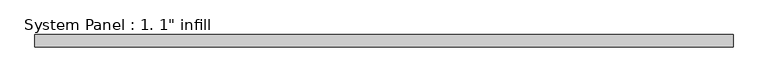
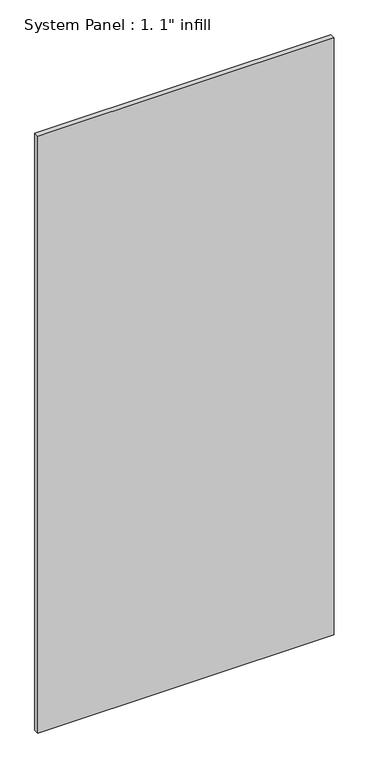
"""IFC4 building model written with IfcOpenShell, lengths in millimetres: plate geometry."""

from ifc_helpers import new_model, si_unit, origin, origin_with_axes, place, context, project, spatial, polyline, outline, extrude, source, transform, mapped, element, save


def plate_636f0aec(model_context):
    return source(origin(), model_context, "Body", "SweptSolid", [
        extrude(outline(polyline([(715.9625, -12.7), (-715.9625, -12.7), (-715.9625, 12.7), (715.9625, 12.7), (715.9625, -12.7)])), origin_with_axes(), (0.0, 0.0, 1.0), 3048.0),
    ])


if __name__ == "__main__":
    model = new_model("IFC4")
    model_context = context("Model", 3, world=origin())
    ifc_project = project(units=[si_unit("LENGTHUNIT", "METRE", prefix="MILLI")], contexts=[model_context])
    site = spatial("IfcSite", under=ifc_project)
    building = spatial("IfcBuilding", under=site)
    placement = place(None, origin())
    plate_shape = plate_636f0aec(model_context)
    element("IfcPlate", 1, ObjectType="System Panel : 1. 1\" infill", at=placement, inside=building, context=model_context, shape_type="MappedRepresentation", body=[
        mapped(plate_shape, transform((0.0, 0.0, 0.0), x_axis=(1.0, 0.0, 0.0), y_axis=(0.0, 1.0, 0.0), z_axis=(0.0, 0.0, 1.0))),
    ])
    save(model, "model.ifc")
